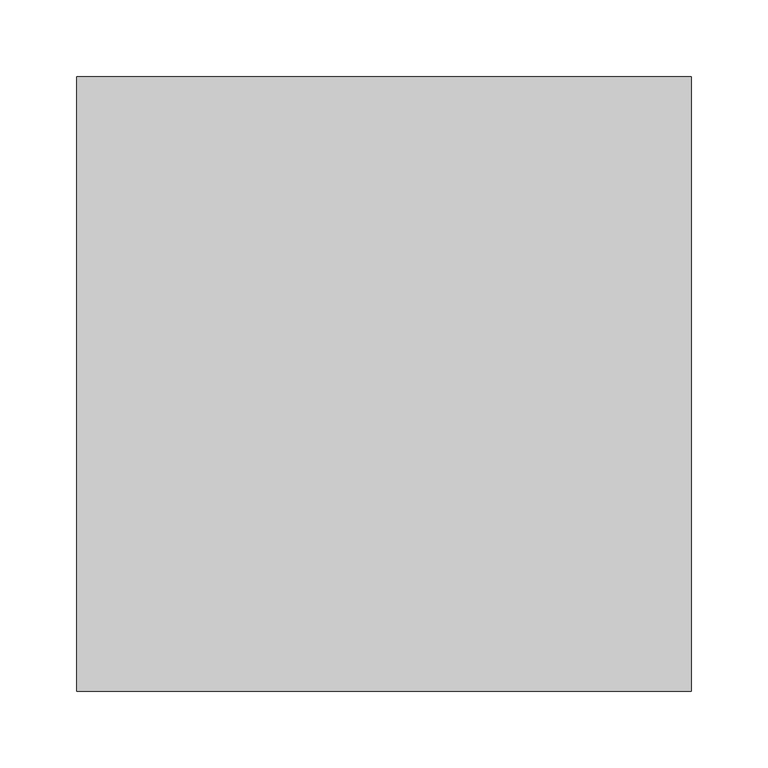
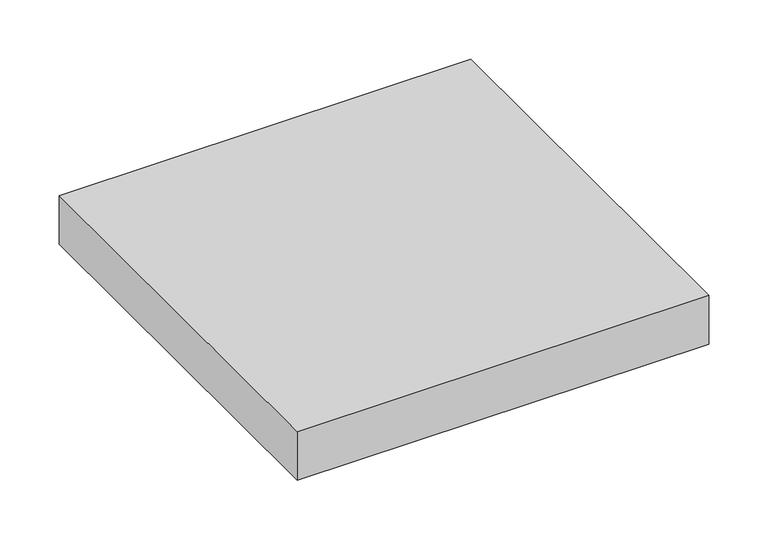
"""IFC4 building model written with IfcOpenShell, lengths in millimetres: proxy geometry."""

from ifc_helpers import new_model, si_unit, origin, origin_with_axes, place, context, project, spatial, polyline, outline, extrude, source, transform, mapped, element, save


def generic_models_2d95e52a(model_context):
    return source(origin(), model_context, "Body", "SweptSolid", [
        extrude(outline(polyline([(0.0, 400.0), (400.0, 400.0), (400.0, 0.0), (0.0, 0.0), (0.0, 400.0)])), origin_with_axes(), (0.0, 0.0, 1.0), 50.0),
    ])


if __name__ == "__main__":
    model = new_model("IFC4")
    model_context = context("Model", 3, world=origin())
    ifc_project = project(units=[si_unit("LENGTHUNIT", "METRE", prefix="MILLI")], contexts=[model_context])
    site = spatial("IfcSite", under=ifc_project)
    building = spatial("IfcBuilding", under=site)
    placement = place(None, origin())
    generic_models_shape = generic_models_2d95e52a(model_context)
    element("IfcBuildingElementProxy", 1, Name="Generic Models", at=placement, inside=building, context=model_context, shape_type="MappedRepresentation", body=[
        mapped(generic_models_shape, transform((0.0, 0.0, 0.0), x_axis=(1.0, 0.0, 0.0), y_axis=(0.0, 1.0, 0.0), z_axis=(0.0, 0.0, 1.0))),
    ])
    save(model, "model.ifc")
